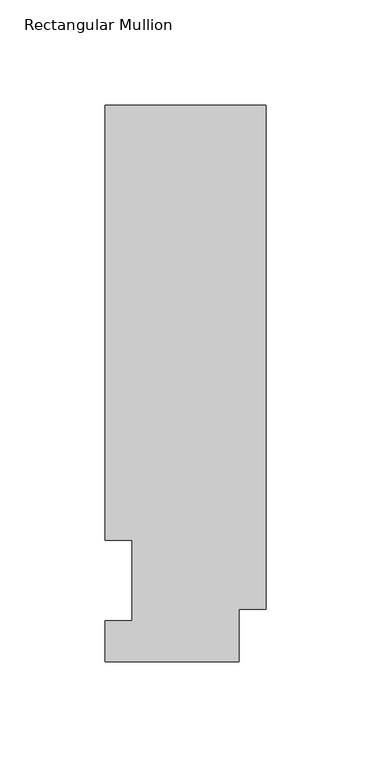
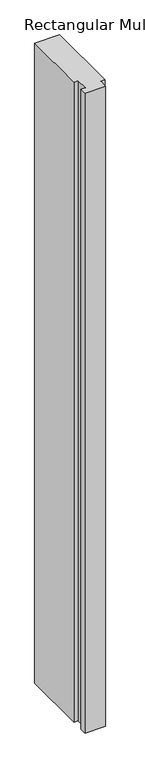
"""IFC4 building model written with IfcOpenShell, lengths in millimetres: member geometry, Rectangular Mullion."""

from ifc_helpers import new_model, si_unit, frame, origin, place, context, project, spatial, polyline, outline, extrude, source, transform, mapped, element, save


def rectangular_mullion_5628dfe5(model_context):
    return source(origin(), model_context, "Body", "SweptSolid", [
        extrude(outline(polyline([(-76.2, 264.0210938), (0.0, 264.0210938), (0.0, 25.0832937), (-12.7, 25.0832937), (-12.7, 0.0134938), (-76.2, 0.0134938), (-76.2, 19.5460937), (-63.5, 19.5460937), (-63.5, 57.6460938), (-76.2, 57.6460938), (-76.2, 264.0210938)])), frame((0.0, 0.0, -2057.4), z_axis=(0.0, 0.0, 1.0), x_axis=(1.0, 0.0, 0.0)), (0.0, 0.0, 1.0), 2057.4),
    ])


if __name__ == "__main__":
    model = new_model("IFC4")
    model_context = context("Model", 3, world=origin())
    ifc_project = project(units=[si_unit("LENGTHUNIT", "METRE", prefix="MILLI")], contexts=[model_context])
    site = spatial("IfcSite", under=ifc_project)
    building = spatial("IfcBuilding", under=site)
    placement = place(None, origin())
    rectangular_mullion_shape = rectangular_mullion_5628dfe5(model_context)
    element("IfcMember", 1, ObjectType="Rectangular Mullion", at=placement, inside=building, context=model_context, shape_type="MappedRepresentation", body=[
        mapped(rectangular_mullion_shape, transform((0.0, 0.0, 0.0), x_axis=(1.0, 0.0, 0.0), y_axis=(0.0, 1.0, 0.0), z_axis=(0.0, 0.0, 1.0))),
    ])
    save(model, "model.ifc")
